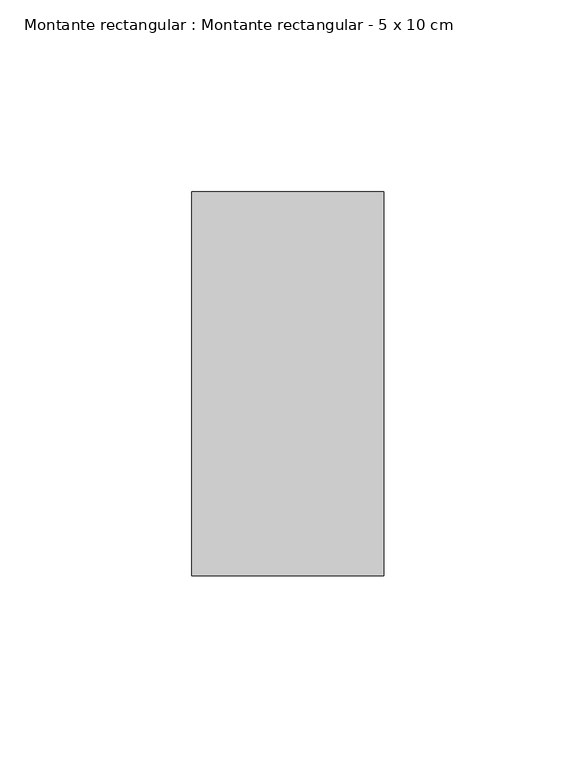
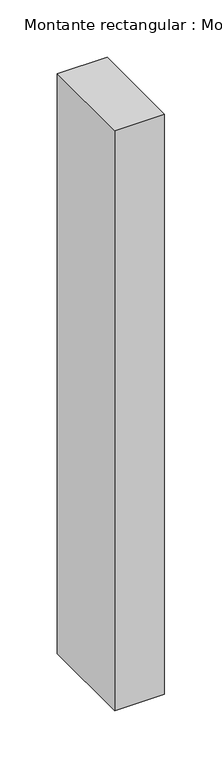
"""IFC4 building model written with IfcOpenShell, lengths in millimetres: member geometry, Montante rectangular : Montante rectangular - 5 x 10 cm."""

import ifcopenshell
import ifcopenshell.guid

model = None  # the IFC model being written
_history = None  # IfcOwnerHistory: only IFC2X3 demands one
_inside = {}  # id of a spatial element -> (the spatial element, [elements in it])
_under = {}  # id of a project, library or spatial element -> (it, [spatial elements below it])
_declared = {}  # id of a project -> (the project, [libraries it declares])
_typed = {}  # id of a type object -> (the type object, [elements of that type])
_made_of = {}  # id of a material, layer set ... -> (it, [elements and type objects made of it])


def new_model(schema):
    """Start an empty IFC model of exactly this schema.

    Asked for "IFC4X3", IfcOpenShell would pick the latest addendum, in which some entities
    have other attributes; the version numbers below select the first issue.
    IFC2X3 requires an IfcOwnerHistory on every rooted entity: one is made here for all.
    """
    global model, _history
    if schema == "IFC4X3":
        model = ifcopenshell.file(schema_version=(4, 3, 0, 0))
    else:
        model = ifcopenshell.file(schema=schema)
    _inside.clear()
    _under.clear()
    _declared.clear()
    _typed.clear()
    _made_of.clear()
    _history = None
    if model.schema == "IFC2X3":
        org = make("IfcOrganization", Name="unknown")
        user = make(
            "IfcPersonAndOrganization",
            ThePerson=make("IfcPerson", FamilyName="unknown"),
            TheOrganization=org,
        )
        app = make(
            "IfcApplication",
            ApplicationDeveloper=org,
            Version="unknown",
            ApplicationFullName="unknown",
            ApplicationIdentifier="unknown",
        )
        _history = make(
            "IfcOwnerHistory",
            OwningUser=user,
            OwningApplication=app,
            ChangeAction="ADDED",
            CreationDate=0,
        )
    return model


def make(cls, **values):
    """One entity of the class cls with the attributes given. An attribute that is None is left unset."""
    return model.create_entity(
        cls, **{name: value for name, value in values.items() if value is not None}
    )


def rooted(cls, **values):
    """An entity with a GlobalId (a new one), such as an element, a storey or a relation."""
    return make(cls, GlobalId=ifcopenshell.guid.new(), OwnerHistory=_history, **values)


def si_unit(unit_type, name, prefix=None):
    """IfcSIUnit, for example si_unit("LENGTHUNIT", "METRE", prefix="MILLI")."""
    return make("IfcSIUnit", UnitType=unit_type, Prefix=prefix, Name=name)


def assignment(units):
    """IfcUnitAssignment: the units of a project."""
    return None if units is None else make("IfcUnitAssignment", Units=units)


def point(xyz):
    """IfcCartesianPoint."""
    return None if xyz is None else make("IfcCartesianPoint", Coordinates=xyz)


def direction(xyz):
    """IfcDirection."""
    return None if xyz is None else make("IfcDirection", DirectionRatios=xyz)


def frame(location, z_axis=None, x_axis=None):
    """IfcAxis2Placement3D, a coordinate frame: its origin and axes. An axis left out is left unset."""
    return make(
        "IfcAxis2Placement3D",
        Location=point(location),
        Axis=direction(z_axis),
        RefDirection=direction(x_axis),
    )


def origin():
    """The frame at (0, 0, 0) with its axes left unset."""
    return frame((0.0, 0.0, 0.0))


def place(relative_to, where):
    """IfcLocalPlacement: puts the frame where relative to a parent placement (None: the world)."""
    return make(
        "IfcLocalPlacement", PlacementRelTo=relative_to, RelativePlacement=where
    )


def context(
    kind, dimensions, precision=None, world=None, true_north=None, identifier=None
):
    """IfcGeometricRepresentationContext, for example the 3D "Model" context."""
    return make(
        "IfcGeometricRepresentationContext",
        ContextIdentifier=identifier,
        ContextType=kind,
        CoordinateSpaceDimension=dimensions,
        Precision=precision,
        WorldCoordinateSystem=world,
        TrueNorth=true_north,
    )


def project(units=None, contexts=None):
    """IfcProject with its units and contexts."""
    return rooted(
        "IfcProject",
        Name="project",
        RepresentationContexts=contexts,
        UnitsInContext=assignment(units),
    )


def spatial(cls, under=None, at=None, **own):
    """A site, building, storey or space (cls), placed at a placement, below another one or the project."""
    s = rooted(cls, ObjectPlacement=at, **own)
    if under is not None:
        _under.setdefault(under.id(), (under, []))[1].append(s)
    return s


def polyline(points):
    """IfcPolyline through the points."""
    return make("IfcPolyline", Points=[point(p) for p in points])


def outline(outer, holes=None, kind="AREA"):
    """IfcArbitraryClosedProfileDef: a profile drawn as a closed curve; with holes, ...WithVoids."""
    if holes is None:
        return make("IfcArbitraryClosedProfileDef", ProfileType=kind, OuterCurve=outer)
    return make(
        "IfcArbitraryProfileDefWithVoids",
        ProfileType=kind,
        OuterCurve=outer,
        InnerCurves=holes,
    )


def extrude(swept, where, along, depth):
    """IfcExtrudedAreaSolid: the profile swept, set in the frame where, extruded along a direction by depth."""
    return make(
        "IfcExtrudedAreaSolid",
        SweptArea=swept,
        Position=where,
        ExtrudedDirection=direction(along),
        Depth=depth,
    )


def shape(context_of_items, identifier, shape_type, items):
    """IfcShapeRepresentation: the items that make up one representation, for example the "Body"."""
    return make(
        "IfcShapeRepresentation",
        ContextOfItems=context_of_items,
        RepresentationIdentifier=identifier,
        RepresentationType=shape_type,
        Items=items,
    )


def source(mapping_origin, context_of_items, identifier, shape_type, items):
    """IfcRepresentationMap: a shape defined once, which mapped items show again and again."""
    return make(
        "IfcRepresentationMap",
        MappingOrigin=mapping_origin,
        MappedRepresentation=shape(context_of_items, identifier, shape_type, items),
    )


def transform(
    local_origin,
    x_axis=None,
    y_axis=None,
    z_axis=None,
    scale=None,
    scale2=None,
    scale3=None,
    uniform=True,
):
    """IfcCartesianTransformationOperator3D, or its non-uniform kind. x_axis, y_axis, z_axis: its Axis1, 2, 3."""
    if uniform:
        return make(
            "IfcCartesianTransformationOperator3D",
            Axis1=direction(x_axis),
            Axis2=direction(y_axis),
            LocalOrigin=point(local_origin),
            Scale=scale,
            Axis3=direction(z_axis),
        )
    return make(
        "IfcCartesianTransformationOperator3DnonUniform",
        Axis1=direction(x_axis),
        Axis2=direction(y_axis),
        LocalOrigin=point(local_origin),
        Scale=scale,
        Axis3=direction(z_axis),
        Scale2=scale2,
        Scale3=scale3,
    )


def mapped(mapping_source, mapping_target):
    """IfcMappedItem: shows the shape of a source again, moved by a transform."""
    return make(
        "IfcMappedItem", MappingSource=mapping_source, MappingTarget=mapping_target
    )


def made_of(thing, what):
    """Note that an element or type object is made of a material, layer set ...; save() writes the relation."""
    if what is not None:
        _made_of.setdefault(what.id(), (what, []))[1].append(thing)
    return thing


def element(
    cls,
    number,
    at=None,
    inside=None,
    cuts=None,
    type_object=None,
    material=None,
    context=None,
    identifier="Body",
    shape_type=None,
    held_by="IfcProductDefinitionShape",
    body=None,
    shapes=None,
    **own,
):
    """One element of the class cls, such as IfcWall. Its Tag is "e" and its number.

    at: its placement. inside: the storey or other place that contains it. cuts: it is an
    opening in that element (IfcRelVoidsElement). A single representation is given by context,
    identifier, shape_type and body (its items); several are given by shapes. held_by: the class
    of the entity that holds the representations. save() writes the other relations.
    """
    e = rooted(cls, Tag="e%d" % number, ObjectPlacement=at, **own)
    if body is not None:
        shapes = [shape(context, identifier, shape_type, body)]
    if shapes is not None:
        e.Representation = make(held_by, Representations=shapes)
    if inside is not None:
        _inside.setdefault(inside.id(), (inside, []))[1].append(e)
    if cuts is not None:
        rooted(
            "IfcRelVoidsElement", RelatingBuildingElement=cuts, RelatedOpeningElement=e
        )
    if type_object is not None:
        _typed.setdefault(type_object.id(), (type_object, []))[1].append(e)
    return made_of(e, material)


def aggregate(whole, parts):
    """IfcRelAggregates: a whole, such as a stair, and the parts it consists of."""
    return rooted("IfcRelAggregates", RelatingObject=whole, RelatedObjects=parts)


def save(model, path):
    """Write the relations noted so far, then the file.

    IfcRelAggregates (storeys below a building ...), IfcRelContainedInSpatialStructure (elements
    in a storey), IfcRelDefinesByType, IfcRelAssociatesMaterial and IfcRelDeclares: one each for
    every whole, place, type object, material and project.
    """
    for whole, parts in _under.values():
        aggregate(whole, parts)
    for where, things in _inside.values():
        rooted(
            "IfcRelContainedInSpatialStructure",
            RelatedElements=things,
            RelatingStructure=where,
        )
    for kind, things in _typed.values():
        rooted("IfcRelDefinesByType", RelatedObjects=things, RelatingType=kind)
    for what, things in _made_of.values():
        rooted("IfcRelAssociatesMaterial", RelatedObjects=things, RelatingMaterial=what)
    for by, libraries in _declared.values():
        rooted("IfcRelDeclares", RelatingContext=by, RelatedDefinitions=libraries)
    model.write(path)


def montante_rectangular_montante_rectangular_5_x_10_cm_8eb7af74(model_context):
    return source(origin(), model_context, "Body", "SweptSolid", [
        extrude(outline(polyline([(-50.0, 50.0), (0.0, 50.0), (0.0, -50.0), (-50.0, -50.0), (-50.0, 50.0)])), frame((0.0, 0.0, -617.0), z_axis=(0.0, 0.0, 1.0), x_axis=(1.0, 0.0, 0.0)), (0.0, 0.0, 1.0), 617.0),
    ])


if __name__ == "__main__":
    model = new_model("IFC4")
    model_context = context("Model", 3, world=origin())
    ifc_project = project(units=[si_unit("LENGTHUNIT", "METRE", prefix="MILLI")], contexts=[model_context])
    site = spatial("IfcSite", under=ifc_project)
    building = spatial("IfcBuilding", under=site)
    placement = place(None, origin())
    montante_rectangular_montante_rectangular_5_x_10_cm_shape = montante_rectangular_montante_rectangular_5_x_10_cm_8eb7af74(model_context)
    element("IfcMember", 1, ObjectType="Montante rectangular : Montante rectangular - 5 x 10 cm", at=placement, inside=building, context=model_context, shape_type="MappedRepresentation", body=[
        mapped(montante_rectangular_montante_rectangular_5_x_10_cm_shape, transform((0.0, 0.0, 0.0), x_axis=(1.0, 0.0, 0.0), y_axis=(0.0, 1.0, 0.0), z_axis=(0.0, 0.0, 1.0))),
    ])
    save(model, "model.ifc")
